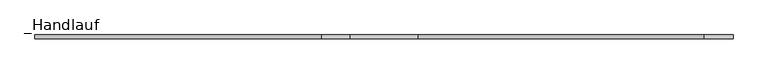
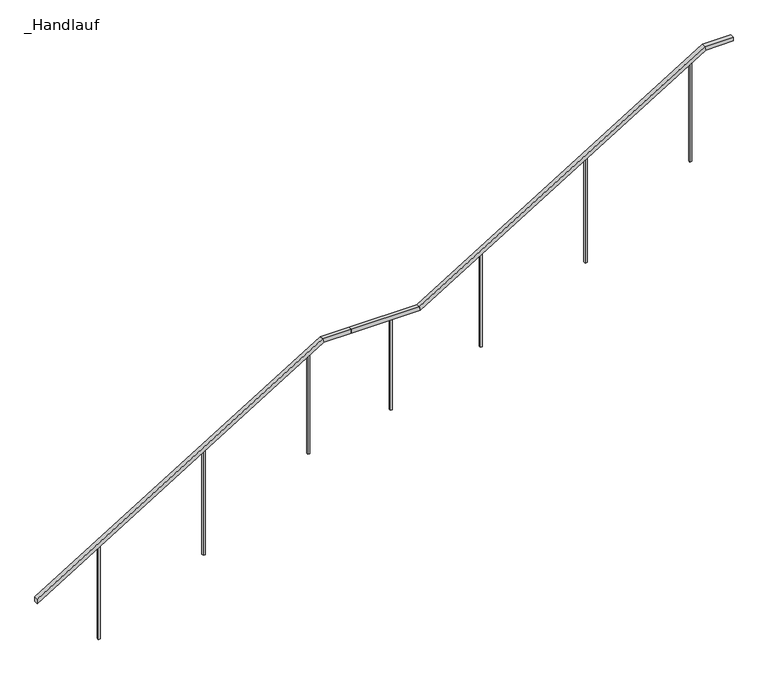
"""IFC4 building model written with IfcOpenShell, lengths in millimetres: railing geometry, _Handlauf."""

from ifc_helpers import new_model, si_unit, frame, origin, place, context, project, spatial, polyline, outline, extrude, faceted_brep, source, transform, mapped, element, save


def handlauf_657af4d0(model_context):
    return source(origin(), model_context, "Body", "SolidModel", [
        faceted_brep([(1990.0, 6112.4, 8000.0), (1990.0, 6152.4, 8000.0), (1990.0, 6152.4, 7953.0610765), (1990.0, 6112.4, 7953.0610765), (4851.3005326, 6112.4, 9710.0), (4840.0, 6112.4, 9750.0), (4851.3005326, 6152.4, 9710.0), (4840.0, 6152.4, 9750.0), (5125.0, 6112.4, 9750.0), (5125.0, 6112.4, 9710.0), (5125.0, 6152.4, 9710.0), (5125.0, 6152.4, 9750.0)], [[[0, 1, 2, 3]], [[0, 3, 4, 5]], [[3, 2, 6, 4]], [[2, 1, 7, 6]], [[1, 0, 5, 7]], [[8, 9, 10, 11]], [[5, 4, 9, 8]], [[4, 6, 10, 9]], [[6, 7, 11, 10]], [[7, 5, 8, 11]]]),
        faceted_brep([(5125.0, 6112.4, 9750.0), (5125.0, 6152.4, 9750.0), (5125.0, 6152.4, 9710.0), (5125.0, 6112.4, 9710.0), (5805.2300045, 6112.4, 9750.0), (5816.5305371, 6112.4, 9710.0), (5816.5305371, 6152.4, 9710.0), (5805.2300045, 6152.4, 9750.0)], [[[0, 1, 2, 3]], [[4, 5, 6, 7]], [[0, 3, 5, 4]], [[3, 2, 6, 5]], [[2, 1, 7, 6]], [[1, 0, 4, 7]]]),
        faceted_brep([(5805.2300045, 6112.4, 9750.0), (5805.2300045, 6152.4, 9750.0), (5816.5305371, 6152.4, 9710.0), (5816.5305371, 6112.4, 9710.0), (8666.5305371, 6112.4, 11460.0), (8655.2300045, 6112.4, 11500.0), (8666.5305371, 6152.4, 11460.0), (8655.2300045, 6152.4, 11500.0), (8940.2300045, 6112.4, 11500.0), (8940.2300045, 6112.4, 11460.0), (8940.2300045, 6152.4, 11460.0), (8940.2300045, 6152.4, 11500.0)], [[[0, 1, 2, 3]], [[0, 3, 4, 5]], [[3, 2, 6, 4]], [[2, 1, 7, 6]], [[1, 0, 5, 7]], [[8, 9, 10, 11]], [[5, 4, 9, 8]], [[4, 6, 10, 9]], [[6, 7, 11, 10]], [[7, 5, 8, 11]]]),
        extrude(outline(polyline([(11372.1929825, 8512.2300045), (10325.0, 8512.2300045), (10325.0, 8532.2300045), (11384.4736842, 8532.2300045), (11372.1929825, 8512.2300045)])), frame((0.0, 6122.4, 0.0), z_axis=(0.0, 1.0, 0.0), x_axis=(0.0, 0.0, 1.0)), (0.0, 0.0, 1.0), 20.0),
        extrude(outline(polyline([(10730.5263158, 7467.2300045), (9625.0, 7467.2300045), (9625.0, 7487.2300045), (10742.8070175, 7487.2300045), (10730.5263158, 7467.2300045)])), frame((0.0, 6122.4, 0.0), z_axis=(0.0, 1.0, 0.0), x_axis=(0.0, 0.0, 1.0)), (0.0, 0.0, 1.0), 20.0),
        extrude(outline(polyline([(10088.8596491, 6422.2300045), (9100.0, 6422.2300045), (9100.0, 6442.2300045), (10101.1403509, 6442.2300045), (10088.8596491, 6422.2300045)])), frame((0.0, 6122.4, 0.0), z_axis=(0.0, 1.0, 0.0), x_axis=(0.0, 0.0, 1.0)), (0.0, 0.0, 1.0), 20.0),
        extrude(outline(polyline([(5523.1380027, 6122.4), (5523.1380027, 6142.4), (5543.1380027, 6142.4), (5543.1380027, 6122.4), (5523.1380027, 6122.4)])), frame((0.0, 0.0, 8750.0), z_axis=(0.0, 0.0, 1.0), x_axis=(1.0, 0.0, 0.0)), (0.0, 0.0, 1.0), 960.0),
        extrude(outline(polyline([(9622.1929825, 4697.0), (8575.0, 4697.0), (8575.0, 4717.0), (9634.4736842, 4717.0), (9622.1929825, 4697.0)])), frame((0.0, 6122.4, 0.0), z_axis=(0.0, 1.0, 0.0), x_axis=(0.0, 0.0, 1.0)), (0.0, 0.0, 1.0), 20.0),
        extrude(outline(polyline([(8980.5263158, 3652.0), (7875.0, 3652.0), (7875.0, 3672.0), (8992.8070175, 3672.0), (8980.5263158, 3652.0)])), frame((0.0, 6122.4, 0.0), z_axis=(0.0, 1.0, 0.0), x_axis=(0.0, 0.0, 1.0)), (0.0, 0.0, 1.0), 20.0),
        extrude(outline(polyline([(8338.8596491, 2607.0), (7350.0, 2607.0), (7350.0, 2627.0), (8351.1403509, 2627.0), (8338.8596491, 2607.0)])), frame((0.0, 6122.4, 0.0), z_axis=(0.0, 1.0, 0.0), x_axis=(0.0, 0.0, 1.0)), (0.0, 0.0, 1.0), 20.0),
    ])


if __name__ == "__main__":
    model = new_model("IFC4")
    model_context = context("Model", 3, world=origin())
    ifc_project = project(units=[si_unit("LENGTHUNIT", "METRE", prefix="MILLI")], contexts=[model_context])
    site = spatial("IfcSite", under=ifc_project)
    building = spatial("IfcBuilding", under=site)
    placement = place(None, origin())
    handlauf_shape = handlauf_657af4d0(model_context)
    element("IfcRailing", 1, ObjectType="_Handlauf", at=placement, inside=building, context=model_context, shape_type="MappedRepresentation", body=[
        mapped(handlauf_shape, transform((0.0, 0.0, 0.0), x_axis=(1.0, 0.0, 0.0), y_axis=(0.0, 1.0, 0.0), z_axis=(0.0, 0.0, 1.0))),
    ])
    save(model, "model.ifc")
